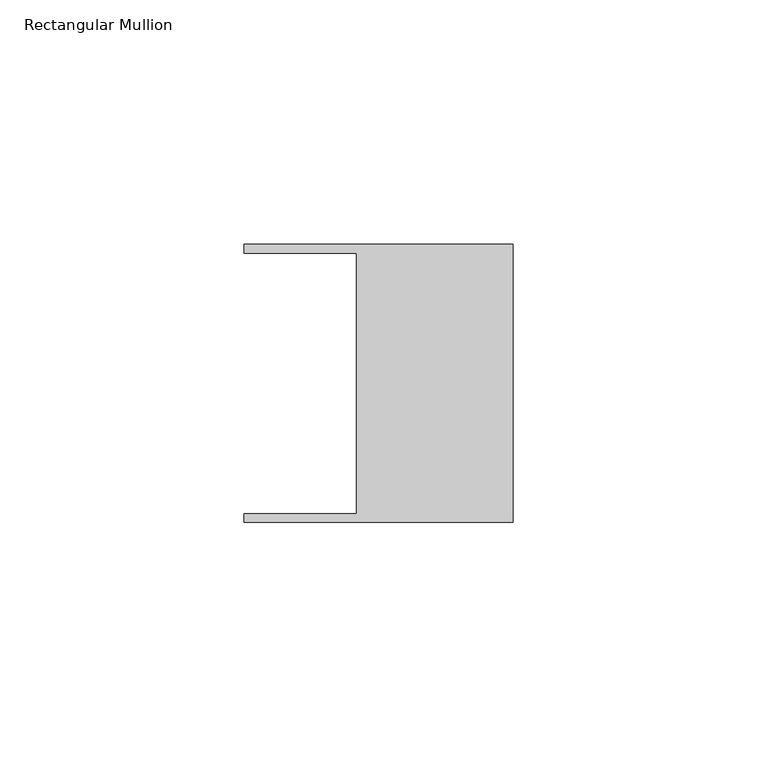
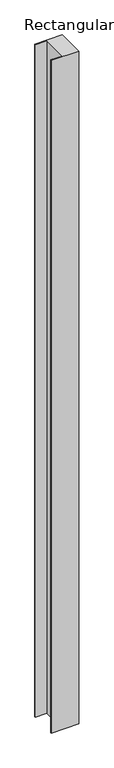
"""IFC4 building model written with IfcOpenShell, lengths in millimetres: member geometry, Rectangular Mullion."""

from ifc_helpers import new_model, si_unit, frame, origin, place, context, project, spatial, polyline, outline, extrude, source, transform, mapped, element, save


def rectangular_mullion_e9333fc7(model_context):
    return source(origin(), model_context, "Body", "SweptSolid", [
        extrude(outline(polyline([(-32.004, -26.67), (-32.004, 26.67), (-54.991, 26.67), (-54.991, 28.448), (0.0, 28.448), (0.0, -28.448), (-54.991, -28.448), (-54.991, -26.67), (-32.004, -26.67)])), frame((0.0, 0.0, -1422.4), z_axis=(0.0, 0.0, 1.0), x_axis=(1.0, 0.0, 0.0)), (0.0, 0.0, 1.0), 1422.4),
    ])


if __name__ == "__main__":
    model = new_model("IFC4")
    model_context = context("Model", 3, world=origin())
    ifc_project = project(units=[si_unit("LENGTHUNIT", "METRE", prefix="MILLI")], contexts=[model_context])
    site = spatial("IfcSite", under=ifc_project)
    building = spatial("IfcBuilding", under=site)
    placement = place(None, origin())
    rectangular_mullion_shape = rectangular_mullion_e9333fc7(model_context)
    element("IfcMember", 1, ObjectType="Rectangular Mullion", at=placement, inside=building, context=model_context, shape_type="MappedRepresentation", body=[
        mapped(rectangular_mullion_shape, transform((0.0, 0.0, 0.0), x_axis=(1.0, 0.0, 0.0), y_axis=(0.0, 1.0, 0.0), z_axis=(0.0, 0.0, 1.0))),
    ])
    save(model, "model.ifc")
